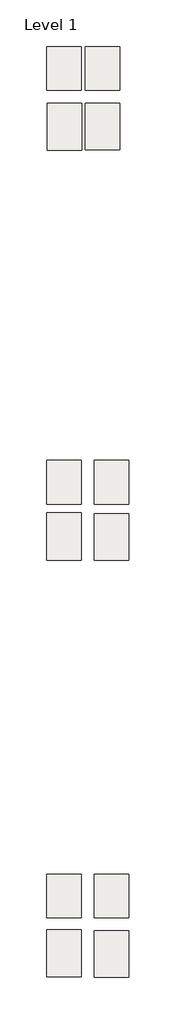
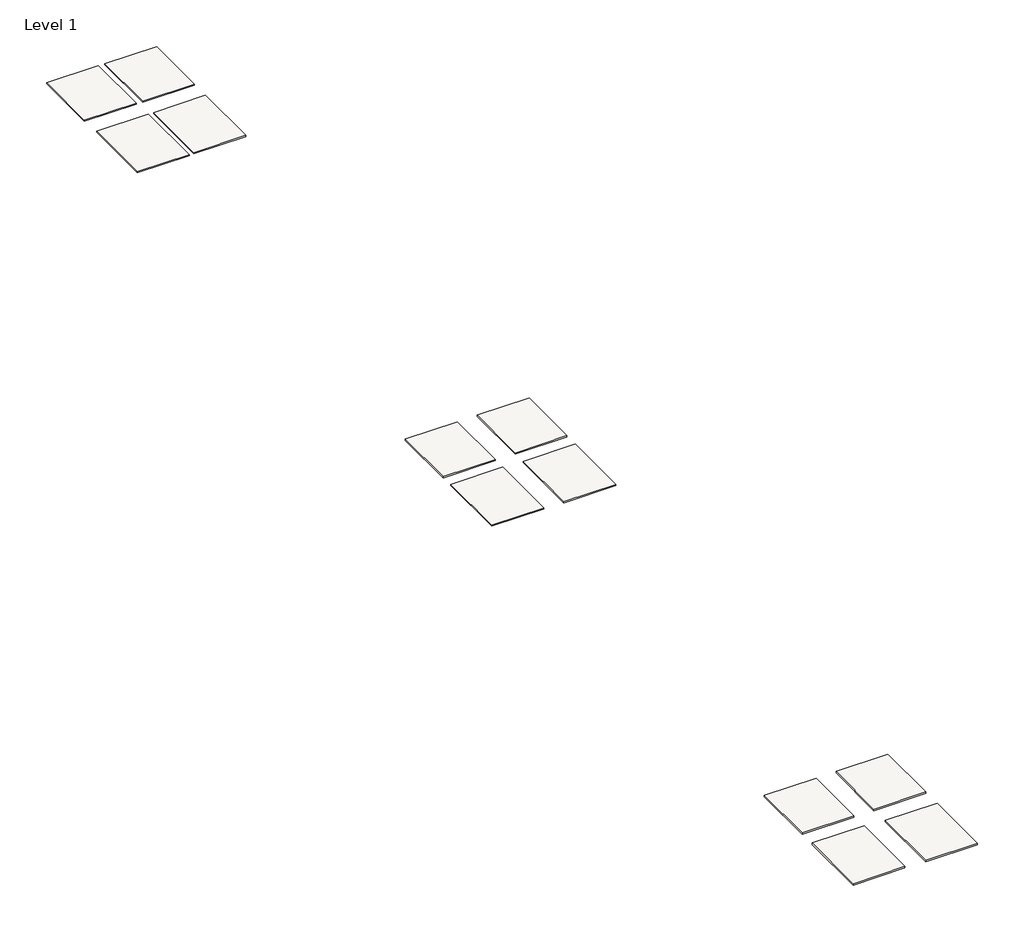
# One storey: 12 slabs.
"""IFC4 building model written with IfcOpenShell, lengths in millimetres."""

import ifcopenshell
import ifcopenshell.guid

model = None  # the IFC model being written
_history = None  # IfcOwnerHistory: only IFC2X3 demands one
_inside = {}  # id of a spatial element -> (the spatial element, [elements in it])
_under = {}  # id of a project, library or spatial element -> (it, [spatial elements below it])
_declared = {}  # id of a project -> (the project, [libraries it declares])
_typed = {}  # id of a type object -> (the type object, [elements of that type])
_made_of = {}  # id of a material, layer set ... -> (it, [elements and type objects made of it])


def new_model(schema):
    """Start an empty IFC model of exactly this schema.

    Asked for "IFC4X3", IfcOpenShell would pick the latest addendum, in which some entities
    have other attributes; the version numbers below select the first issue.
    IFC2X3 requires an IfcOwnerHistory on every rooted entity: one is made here for all.
    """
    global model, _history
    if schema == "IFC4X3":
        model = ifcopenshell.file(schema_version=(4, 3, 0, 0))
    else:
        model = ifcopenshell.file(schema=schema)
    _inside.clear()
    _under.clear()
    _declared.clear()
    _typed.clear()
    _made_of.clear()
    _history = None
    if model.schema == "IFC2X3":
        org = make("IfcOrganization", Name="unknown")
        user = make(
            "IfcPersonAndOrganization",
            ThePerson=make("IfcPerson", FamilyName="unknown"),
            TheOrganization=org,
        )
        app = make(
            "IfcApplication",
            ApplicationDeveloper=org,
            Version="unknown",
            ApplicationFullName="unknown",
            ApplicationIdentifier="unknown",
        )
        _history = make(
            "IfcOwnerHistory",
            OwningUser=user,
            OwningApplication=app,
            ChangeAction="ADDED",
            CreationDate=0,
        )
    return model


def make(cls, **values):
    """One entity of the class cls with the attributes given. An attribute that is None is left unset."""
    return model.create_entity(
        cls, **{name: value for name, value in values.items() if value is not None}
    )


def rooted(cls, **values):
    """An entity with a GlobalId (a new one), such as an element, a storey or a relation."""
    return make(cls, GlobalId=ifcopenshell.guid.new(), OwnerHistory=_history, **values)


def si_unit(unit_type, name, prefix=None):
    """IfcSIUnit, for example si_unit("LENGTHUNIT", "METRE", prefix="MILLI")."""
    return make("IfcSIUnit", UnitType=unit_type, Prefix=prefix, Name=name)


def assignment(units):
    """IfcUnitAssignment: the units of a project."""
    return None if units is None else make("IfcUnitAssignment", Units=units)


def point(xyz):
    """IfcCartesianPoint."""
    return None if xyz is None else make("IfcCartesianPoint", Coordinates=xyz)


def direction(xyz):
    """IfcDirection."""
    return None if xyz is None else make("IfcDirection", DirectionRatios=xyz)


def frame(location, z_axis=None, x_axis=None):
    """IfcAxis2Placement3D, a coordinate frame: its origin and axes. An axis left out is left unset."""
    return make(
        "IfcAxis2Placement3D",
        Location=point(location),
        Axis=direction(z_axis),
        RefDirection=direction(x_axis),
    )


def origin():
    """The frame at (0, 0, 0) with its axes left unset."""
    return frame((0.0, 0.0, 0.0))


def place(relative_to, where):
    """IfcLocalPlacement: puts the frame where relative to a parent placement (None: the world)."""
    return make(
        "IfcLocalPlacement", PlacementRelTo=relative_to, RelativePlacement=where
    )


def context(
    kind, dimensions, precision=None, world=None, true_north=None, identifier=None
):
    """IfcGeometricRepresentationContext, for example the 3D "Model" context."""
    return make(
        "IfcGeometricRepresentationContext",
        ContextIdentifier=identifier,
        ContextType=kind,
        CoordinateSpaceDimension=dimensions,
        Precision=precision,
        WorldCoordinateSystem=world,
        TrueNorth=true_north,
    )


def project(units=None, contexts=None):
    """IfcProject with its units and contexts."""
    return rooted(
        "IfcProject",
        Name="project",
        RepresentationContexts=contexts,
        UnitsInContext=assignment(units),
    )


def spatial(cls, under=None, at=None, **own):
    """A site, building, storey or space (cls), placed at a placement, below another one or the project."""
    s = rooted(cls, ObjectPlacement=at, **own)
    if under is not None:
        _under.setdefault(under.id(), (under, []))[1].append(s)
    return s


def polyline(points):
    """IfcPolyline through the points."""
    return make("IfcPolyline", Points=[point(p) for p in points])


def outline(outer, holes=None, kind="AREA"):
    """IfcArbitraryClosedProfileDef: a profile drawn as a closed curve; with holes, ...WithVoids."""
    if holes is None:
        return make("IfcArbitraryClosedProfileDef", ProfileType=kind, OuterCurve=outer)
    return make(
        "IfcArbitraryProfileDefWithVoids",
        ProfileType=kind,
        OuterCurve=outer,
        InnerCurves=holes,
    )


def extrude(swept, where, along, depth):
    """IfcExtrudedAreaSolid: the profile swept, set in the frame where, extruded along a direction by depth."""
    return make(
        "IfcExtrudedAreaSolid",
        SweptArea=swept,
        Position=where,
        ExtrudedDirection=direction(along),
        Depth=depth,
    )


def shape(context_of_items, identifier, shape_type, items):
    """IfcShapeRepresentation: the items that make up one representation, for example the "Body"."""
    return make(
        "IfcShapeRepresentation",
        ContextOfItems=context_of_items,
        RepresentationIdentifier=identifier,
        RepresentationType=shape_type,
        Items=items,
    )


def made_of(thing, what):
    """Note that an element or type object is made of a material, layer set ...; save() writes the relation."""
    if what is not None:
        _made_of.setdefault(what.id(), (what, []))[1].append(thing)
    return thing


def element(
    cls,
    number,
    at=None,
    inside=None,
    cuts=None,
    type_object=None,
    material=None,
    context=None,
    identifier="Body",
    shape_type=None,
    held_by="IfcProductDefinitionShape",
    body=None,
    shapes=None,
    **own,
):
    """One element of the class cls, such as IfcWall. Its Tag is "e" and its number.

    at: its placement. inside: the storey or other place that contains it. cuts: it is an
    opening in that element (IfcRelVoidsElement). A single representation is given by context,
    identifier, shape_type and body (its items); several are given by shapes. held_by: the class
    of the entity that holds the representations. save() writes the other relations.
    """
    e = rooted(cls, Tag="e%d" % number, ObjectPlacement=at, **own)
    if body is not None:
        shapes = [shape(context, identifier, shape_type, body)]
    if shapes is not None:
        e.Representation = make(held_by, Representations=shapes)
    if inside is not None:
        _inside.setdefault(inside.id(), (inside, []))[1].append(e)
    if cuts is not None:
        rooted(
            "IfcRelVoidsElement", RelatingBuildingElement=cuts, RelatedOpeningElement=e
        )
    if type_object is not None:
        _typed.setdefault(type_object.id(), (type_object, []))[1].append(e)
    return made_of(e, material)


def aggregate(whole, parts):
    """IfcRelAggregates: a whole, such as a stair, and the parts it consists of."""
    return rooted("IfcRelAggregates", RelatingObject=whole, RelatedObjects=parts)


def save(model, path):
    """Write the relations noted so far, then the file.

    IfcRelAggregates (storeys below a building ...), IfcRelContainedInSpatialStructure (elements
    in a storey), IfcRelDefinesByType, IfcRelAssociatesMaterial and IfcRelDeclares: one each for
    every whole, place, type object, material and project.
    """
    for whole, parts in _under.values():
        aggregate(whole, parts)
    for where, things in _inside.values():
        rooted(
            "IfcRelContainedInSpatialStructure",
            RelatedElements=things,
            RelatingStructure=where,
        )
    for kind, things in _typed.values():
        rooted("IfcRelDefinesByType", RelatedObjects=things, RelatingType=kind)
    for what, things in _made_of.values():
        rooted("IfcRelAssociatesMaterial", RelatedObjects=things, RelatingMaterial=what)
    for by, libraries in _declared.values():
        rooted("IfcRelDeclares", RelatingContext=by, RelatedDefinitions=libraries)
    model.write(path)


model = new_model("IFC4")

# Units and contexts
model_context = context("Model", 3, world=origin())
ifc_project = project(units=[si_unit("LENGTHUNIT", "METRE", prefix="MILLI")], contexts=[model_context])

# Site, building, storey
site = spatial("IfcSite", under=ifc_project)
building = spatial("IfcBuilding", under=site)
storey = spatial("IfcBuildingStorey", under=building, Name="Level 1", Elevation=0.0)

# Slabs
placement = place(None, origin())
element("IfcSlab", 1, at=placement, inside=storey, context=model_context, shape_type="SweptSolid", body=[
    extrude(outline(polyline([(-24026.4736134, 24786.7566703), (-24407.4736134, 24786.7566703), (-24407.4736134, 25269.3566703), (-24026.4736134, 25269.3566703), (-24026.4736134, 24786.7566703)])), frame((0.0, 0.0, -8.0367188), z_axis=(0.0, 0.0, 1.0), x_axis=(1.0, 0.0, 0.0)), (0.0, 0.0, 1.0), 8.0367188),
])
element("IfcSlab", 2, at=placement, inside=storey, context=model_context, shape_type="SweptSolid", body=[
    extrude(outline(polyline([(-23599.7806349, 24784.2556086), (-23980.7806349, 24784.2556086), (-23980.7806349, 25266.8556086), (-23599.7806349, 25266.8556086), (-23599.7806349, 24784.2556086)])), frame((0.0, 0.0, -8.0367188), z_axis=(0.0, 0.0, 1.0), x_axis=(1.0, 0.0, 0.0)), (0.0, 0.0, 1.0), 8.0367188),
])
element("IfcSlab", 3, at=placement, inside=storey, context=model_context, shape_type="SweptSolid", body=[
    extrude(outline(polyline([(-24020.8283302, 24121.9338215), (-24401.8283302, 24121.9338215), (-24401.8283302, 24642.6338215), (-24020.8283302, 24642.6338215), (-24020.8283302, 24121.9338215)])), frame((0.0, 0.0, -8.0367188), z_axis=(0.0, 0.0, 1.0), x_axis=(1.0, 0.0, 0.0)), (0.0, 0.0, 1.0), 8.0367188),
])
element("IfcSlab", 4, at=placement, inside=storey, context=model_context, shape_type="SweptSolid", body=[
    extrude(outline(polyline([(-23601.3987212, 24127.1324684), (-23982.3987212, 24127.1324684), (-23982.3987212, 24641.4824684), (-23601.3987212, 24641.4824684), (-23601.3987212, 24127.1324684)])), frame((0.0, 0.0, -8.0367188), z_axis=(0.0, 0.0, 1.0), x_axis=(1.0, 0.0, 0.0)), (0.0, 0.0, 1.0), 8.0367188),
])
element("IfcSlab", 5, at=placement, inside=storey, context=model_context, shape_type="SweptSolid", body=[
    extrude(outline(polyline([(-23499.9497159, 19591.3381889), (-23880.9497159, 19591.3381889), (-23880.9497159, 20105.6881889), (-23499.9497159, 20105.6881889), (-23499.9497159, 19591.3381889)])), frame((0.0, 0.0, -10.0210938), z_axis=(0.0, 0.0, 1.0), x_axis=(1.0, 0.0, 0.0)), (0.0, 0.0, 1.0), 10.0210938),
])
element("IfcSlab", 6, at=placement, inside=storey, context=model_context, shape_type="SweptSolid", body=[
    extrude(outline(polyline([(-24026.4736134, 20214.7566703), (-24407.4736134, 20214.7566703), (-24407.4736134, 20697.3566703), (-24026.4736134, 20697.3566703), (-24026.4736134, 20214.7566703)])), frame((0.0, 0.0, -10.0210938), z_axis=(0.0, 0.0, 1.0), x_axis=(1.0, 0.0, 0.0)), (0.0, 0.0, 1.0), 10.0210938),
])
element("IfcSlab", 7, at=placement, inside=storey, context=model_context, shape_type="SweptSolid", body=[
    extrude(outline(polyline([(-23497.7817857, 20214.7566703), (-23878.7817857, 20214.7566703), (-23878.7817857, 20697.3566703), (-23497.7817857, 20697.3566703), (-23497.7817857, 20214.7566703)])), frame((0.0, 0.0, -10.0210938), z_axis=(0.0, 0.0, 1.0), x_axis=(1.0, 0.0, 0.0)), (0.0, 0.0, 1.0), 10.0210938),
])
element("IfcSlab", 8, at=placement, inside=storey, context=model_context, shape_type="SweptSolid", body=[
    extrude(outline(polyline([(-24027.5129321, 19595.2891485), (-24408.5129321, 19595.2891485), (-24408.5129321, 20115.9891485), (-24027.5129321, 20115.9891485), (-24027.5129321, 19595.2891485)])), frame((0.0, 0.0, -10.0210938), z_axis=(0.0, 0.0, 1.0), x_axis=(1.0, 0.0, 0.0)), (0.0, 0.0, 1.0), 10.0210938),
])
element("IfcSlab", 9, at=placement, inside=storey, context=model_context, shape_type="SweptSolid", body=[
    extrude(outline(polyline([(-23497.7817857, 14984.5786436), (-23878.7817857, 14984.5786436), (-23878.7817857, 15498.9286436), (-23497.7817857, 15498.9286436), (-23497.7817857, 14984.5786436)])), frame((0.0, 0.0, -12.0054688), z_axis=(0.0, 0.0, 1.0), x_axis=(1.0, 0.0, 0.0)), (0.0, 0.0, 1.0), 12.0054688),
])
element("IfcSlab", 10, at=placement, inside=storey, context=model_context, shape_type="SweptSolid", body=[
    extrude(outline(polyline([(-24026.4736134, 15642.7566703), (-24407.4736134, 15642.7566703), (-24407.4736134, 16125.3566703), (-24026.4736134, 16125.3566703), (-24026.4736134, 15642.7566703)])), frame((0.0, 0.0, -12.0054688), z_axis=(0.0, 0.0, 1.0), x_axis=(1.0, 0.0, 0.0)), (0.0, 0.0, 1.0), 12.0054688),
])
element("IfcSlab", 11, at=placement, inside=storey, context=model_context, shape_type="SweptSolid", body=[
    extrude(outline(polyline([(-23497.7817857, 15642.7566703), (-23878.7817857, 15642.7566703), (-23878.7817857, 16125.3566703), (-23497.7817857, 16125.3566703), (-23497.7817857, 15642.7566703)])), frame((0.0, 0.0, -12.0054688), z_axis=(0.0, 0.0, 1.0), x_axis=(1.0, 0.0, 0.0)), (0.0, 0.0, 1.0), 12.0054688),
])
element("IfcSlab", 12, at=placement, inside=storey, context=model_context, shape_type="SweptSolid", body=[
    extrude(outline(polyline([(-24026.4736134, 14992.4656442), (-24407.4736134, 14992.4656442), (-24407.4736134, 15513.1656442), (-24026.4736134, 15513.1656442), (-24026.4736134, 14992.4656442)])), frame((0.0, 0.0, -12.0054688), z_axis=(0.0, 0.0, 1.0), x_axis=(1.0, 0.0, 0.0)), (0.0, 0.0, 1.0), 12.0054688),
])

save(model, "model.ifc")
